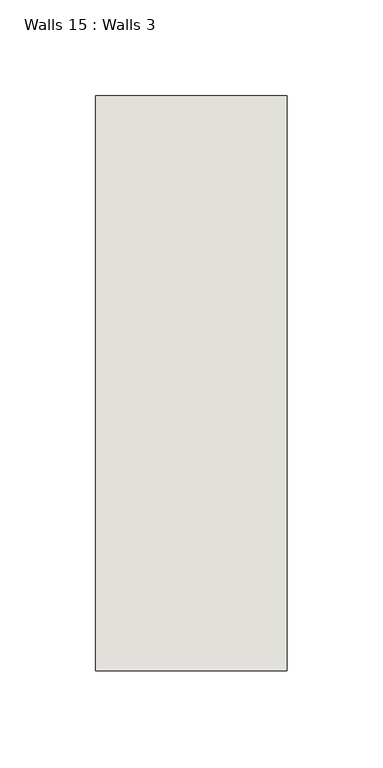
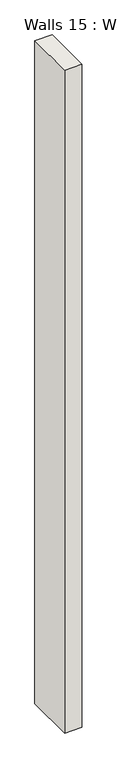
"""IFC4 building model written with IfcOpenShell, lengths in millimetres: wall geometry, Walls 15 : Walls 3."""

from ifc_helpers import new_model, si_unit, origin, origin_with_axes, place, context, project, spatial, polyline, outline, extrude, source, transform, mapped, element, save


def walls_15_walls_3_36a8424c(model_context):
    return source(origin(), model_context, "Body", "SweptSolid", [
        extrude(outline(polyline([(-6212.3812655, 1518.41264), (-6212.3812655, 1818.41264), (-6112.3812655, 1818.41264), (-6112.3812655, 1518.41264), (-6212.3812655, 1518.41264)])), origin_with_axes(), (0.0, 0.0, 1.0), 4085.1192828),
    ])


if __name__ == "__main__":
    model = new_model("IFC4")
    model_context = context("Model", 3, world=origin())
    ifc_project = project(units=[si_unit("LENGTHUNIT", "METRE", prefix="MILLI")], contexts=[model_context])
    site = spatial("IfcSite", under=ifc_project)
    building = spatial("IfcBuilding", under=site)
    placement = place(None, origin())
    walls_15_walls_3_shape = walls_15_walls_3_36a8424c(model_context)
    element("IfcWall", 1, ObjectType="Walls 15 : Walls 3", at=placement, inside=building, context=model_context, shape_type="MappedRepresentation", body=[
        mapped(walls_15_walls_3_shape, transform((0.0, 0.0, 0.0), x_axis=(1.0, 0.0, 0.0), y_axis=(0.0, 1.0, 0.0), z_axis=(0.0, 0.0, 1.0))),
    ])
    save(model, "model.ifc")
